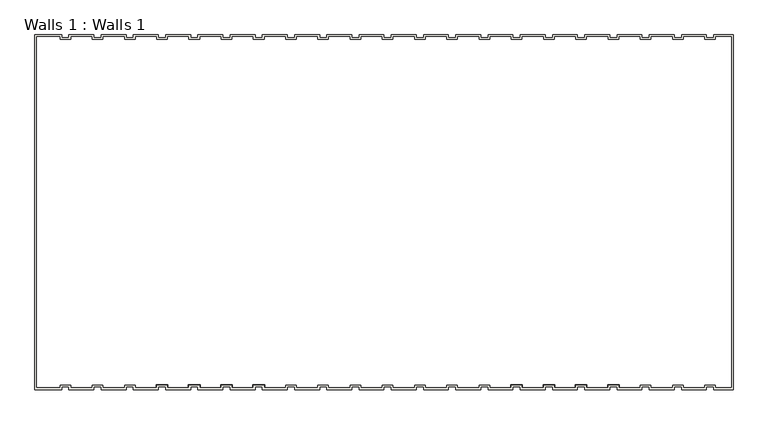
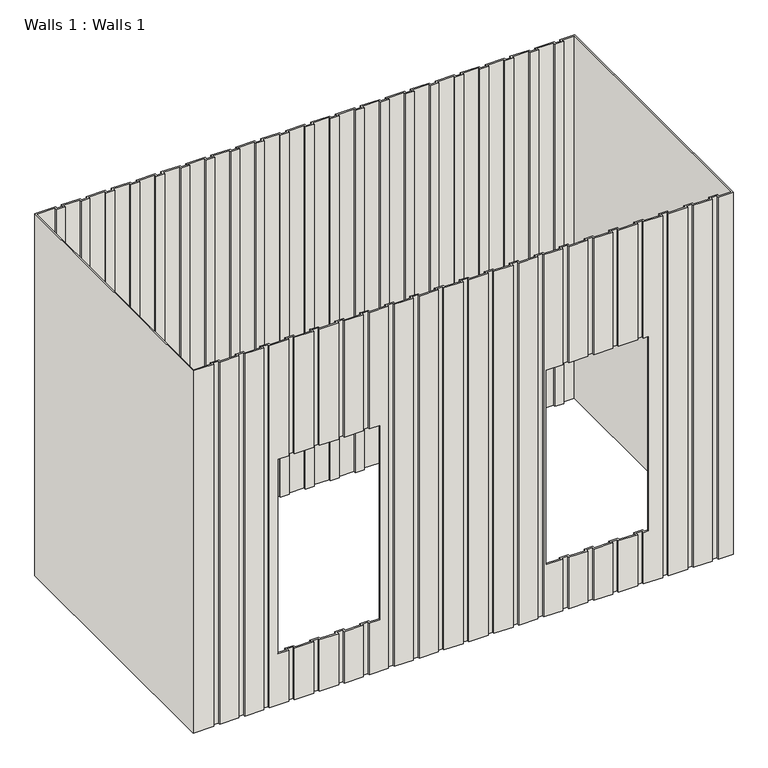
"""IFC4 building model written with IfcOpenShell, lengths in millimetres: wall geometry, Walls 1 : Walls 1."""

from ifc_helpers import new_model, si_unit, origin, place, context, project, spatial, faceted_brep, source, transform, mapped, element, save


def walls_1_walls_1_d70cb74a(model_context):
    return source(origin(), model_context, "Body", "Brep", [
        faceted_brep([(-3315.8963015, 2043.5264778, 3530.6), (-3499.4690288, 2043.5264778, 3530.6), (-3499.4690288, -394.8735222, 3530.6), (-3315.8963015, -394.8735222, 3530.6), (-3315.8963015, -375.8235222, 3530.6), (-3265.0963015, -375.8235222, 3530.6), (-3265.0963015, -394.8735222, 3530.6), (-3094.2235742, -394.8735222, 3530.6), (-3094.2235742, -375.8235222, 3530.6), (-3043.4235742, -375.8235222, 3530.6), (-3043.4235742, -394.8735222, 3530.6), (-2872.550847, -394.8735222, 3530.6), (-2872.550847, -375.8235222, 3530.6), (-2821.750847, -375.8235222, 3530.6), (-2821.750847, -394.8735222, 3530.6), (-2650.8781197, -394.8735222, 3530.6), (-2650.8781197, -375.8235222, 3530.6), (-2600.0781197, -375.8235222, 3530.6), (-2600.0781197, -394.8735222, 3530.6), (-2429.2053924, -394.8735222, 3530.6), (-2429.2053924, -375.8235222, 3530.6), (-2378.4053924, -375.8235222, 3530.6), (-2378.4053924, -394.8735222, 3530.6), (-2207.5326651, -394.8735222, 3530.6), (-2207.5326651, -375.8235222, 3530.6), (-2156.7326651, -375.8235222, 3530.6), (-2156.7326651, -394.8735222, 3530.6), (-1985.8599379, -394.8735222, 3530.6), (-1985.8599379, -375.8235222, 3530.6), (-1935.0599379, -375.8235222, 3530.6), (-1935.0599379, -394.8735222, 3530.6), (-1764.1872106, -394.8735222, 3530.6), (-1764.1872106, -375.8235222, 3530.6), (-1713.3872106, -375.8235222, 3530.6), (-1713.3872106, -394.8735222, 3530.6), (-1542.5144833, -394.8735222, 3530.6), (-1542.5144833, -375.8235222, 3530.6), (-1491.7144833, -375.8235222, 3530.6), (-1491.7144833, -394.8735222, 3530.6), (-1320.841756, -394.8735222, 3530.6), (-1320.841756, -375.8235222, 3530.6), (-1270.041756, -375.8235222, 3530.6), (-1270.041756, -394.8735222, 3530.6), (-1099.1690288, -394.8735222, 3530.6), (-1099.1690288, -375.8235222, 3530.6), (-1048.3690288, -375.8235222, 3530.6), (-1048.3690288, -394.8735222, 3530.6), (-877.4963015, -394.8735222, 3530.6), (-877.4963015, -375.8235222, 3530.6), (-826.6963015, -375.8235222, 3530.6), (-826.6963015, -394.8735222, 3530.6), (-655.8235742, -394.8735222, 3530.6), (-655.8235742, -375.8235222, 3530.6), (-605.0235742, -375.8235222, 3530.6), (-605.0235742, -394.8735222, 3530.6), (-434.150847, -394.8735222, 3530.6), (-434.150847, -375.8235222, 3530.6), (-383.350847, -375.8235222, 3530.6), (-383.350847, -394.8735222, 3530.6), (-212.4781197, -394.8735222, 3530.6), (-212.4781197, -375.8235222, 3530.6), (-161.6781197, -375.8235222, 3530.6), (-161.6781197, -394.8735222, 3530.6), (9.1946076, -394.8735222, 3530.6), (9.1946076, -375.8235222, 3530.6), (59.9946076, -375.8235222, 3530.6), (59.9946076, -394.8735222, 3530.6), (230.8673349, -394.8735222, 3530.6), (230.8673349, -375.8235222, 3530.6), (281.6673349, -375.8235222, 3530.6), (281.6673349, -394.8735222, 3530.6), (452.5400621, -394.8735222, 3530.6), (452.5400621, -375.8235222, 3530.6), (503.3400621, -375.8235222, 3530.6), (503.3400621, -394.8735222, 3530.6), (674.2127894, -394.8735222, 3530.6), (674.2127894, -375.8235222, 3530.6), (725.0127894, -375.8235222, 3530.6), (725.0127894, -394.8735222, 3530.6), (895.8855167, -394.8735222, 3530.6), (895.8855167, -375.8235222, 3530.6), (946.6855167, -375.8235222, 3530.6), (946.6855167, -394.8735222, 3530.6), (1117.558244, -394.8735222, 3530.6), (1117.558244, -375.8235222, 3530.6), (1168.358244, -375.8235222, 3530.6), (1168.358244, -394.8735222, 3530.6), (1301.1309712, -394.8735222, 3530.6), (1301.1309712, 2043.5264778, 3530.6), (1168.358244, 2043.5264778, 3530.6), (1168.358244, 2024.4764778, 3530.6), (1117.558244, 2024.4764778, 3530.6), (1117.558244, 2043.5264778, 3530.6), (946.6855167, 2043.5264778, 3530.6), (946.6855167, 2024.4764778, 3530.6), (895.8855167, 2024.4764778, 3530.6), (895.8855167, 2043.5264778, 3530.6), (725.0127894, 2043.5264778, 3530.6), (725.0127894, 2024.4764778, 3530.6), (674.2127894, 2024.4764778, 3530.6), (674.2127894, 2043.5264778, 3530.6), (503.3400621, 2043.5264778, 3530.6), (503.3400621, 2024.4764778, 3530.6), (452.5400621, 2024.4764778, 3530.6), (452.5400621, 2043.5264778, 3530.6), (281.6673349, 2043.5264778, 3530.6), (281.6673349, 2024.4764778, 3530.6), (230.8673349, 2024.4764778, 3530.6), (230.8673349, 2043.5264778, 3530.6), (59.9946076, 2043.5264778, 3530.6), (59.9946076, 2024.4764778, 3530.6), (9.1946076, 2024.4764778, 3530.6), (9.1946076, 2043.5264778, 3530.6), (-161.6781197, 2043.5264778, 3530.6), (-161.6781197, 2024.4764778, 3530.6), (-212.4781197, 2024.4764778, 3530.6), (-212.4781197, 2043.5264778, 3530.6), (-383.350847, 2043.5264778, 3530.6), (-383.350847, 2024.4764778, 3530.6), (-434.150847, 2024.4764778, 3530.6), (-434.150847, 2043.5264778, 3530.6), (-605.0235742, 2043.5264778, 3530.6), (-605.0235742, 2024.4764778, 3530.6), (-655.8235742, 2024.4764778, 3530.6), (-655.8235742, 2043.5264778, 3530.6), (-826.6963015, 2043.5264778, 3530.6), (-826.6963015, 2024.4764778, 3530.6), (-877.4963015, 2024.4764778, 3530.6), (-877.4963015, 2043.5264778, 3530.6), (-1048.3690288, 2043.5264778, 3530.6), (-1048.3690288, 2024.4764778, 3530.6), (-1099.1690288, 2024.4764778, 3530.6), (-1099.1690288, 2043.5264778, 3530.6), (-1270.041756, 2043.5264778, 3530.6), (-1270.041756, 2024.4764778, 3530.6), (-1320.841756, 2024.4764778, 3530.6), (-1320.841756, 2043.5264778, 3530.6), (-1491.7144833, 2043.5264778, 3530.6), (-1491.7144833, 2024.4764778, 3530.6), (-1542.5144833, 2024.4764778, 3530.6), (-1542.5144833, 2043.5264778, 3530.6), (-1713.3872106, 2043.5264778, 3530.6), (-1713.3872106, 2024.4764778, 3530.6), (-1764.1872106, 2024.4764778, 3530.6), (-1764.1872106, 2043.5264778, 3530.6), (-1935.0599379, 2043.5264778, 3530.6), (-1935.0599379, 2024.4764778, 3530.6), (-1985.8599379, 2024.4764778, 3530.6), (-1985.8599379, 2043.5264778, 3530.6), (-2156.7326651, 2043.5264778, 3530.6), (-2156.7326651, 2024.4764778, 3530.6), (-2207.5326651, 2024.4764778, 3530.6), (-2207.5326651, 2043.5264778, 3530.6), (-2378.4053924, 2043.5264778, 3530.6), (-2378.4053924, 2024.4764778, 3530.6), (-2429.2053924, 2024.4764778, 3530.6), (-2429.2053924, 2043.5264778, 3530.6), (-2600.0781197, 2043.5264778, 3530.6), (-2600.0781197, 2024.4764778, 3530.6), (-2650.8781197, 2024.4764778, 3530.6), (-2650.8781197, 2043.5264778, 3530.6), (-2821.750847, 2043.5264778, 3530.6), (-2821.750847, 2024.4764778, 3530.6), (-2872.550847, 2024.4764778, 3530.6), (-2872.550847, 2043.5264778, 3530.6), (-3043.4235742, 2043.5264778, 3530.6), (-3043.4235742, 2024.4764778, 3530.6), (-3094.2235742, 2024.4764778, 3530.6), (-3094.2235742, 2043.5264778, 3530.6), (-3265.0963015, 2043.5264778, 3530.6), (-3265.0963015, 2024.4764778, 3530.6), (-3315.8963015, 2024.4764778, 3530.6), (-3485.1815288, 2029.2389778, 3530.6), (-3330.1838015, 2029.2389778, 3530.6), (-3330.1838015, 2010.1889778, 3530.6), (-3250.8088015, 2010.1889778, 3530.6), (-3250.8088015, 2029.2389778, 3530.6), (-3108.5110742, 2029.2389778, 3530.6), (-3108.5110742, 2010.1889778, 3530.6), (-3029.1360742, 2010.1889778, 3530.6), (-3029.1360742, 2029.2389778, 3530.6), (-2886.838347, 2029.2389778, 3530.6), (-2886.838347, 2010.1889778, 3530.6), (-2807.463347, 2010.1889778, 3530.6), (-2807.463347, 2029.2389778, 3530.6), (-2665.1656197, 2029.2389778, 3530.6), (-2665.1656197, 2010.1889778, 3530.6), (-2585.7906197, 2010.1889778, 3530.6), (-2585.7906197, 2029.2389778, 3530.6), (-2443.4928924, 2029.2389778, 3530.6), (-2443.4928924, 2010.1889778, 3530.6), (-2364.1178924, 2010.1889778, 3530.6), (-2364.1178924, 2029.2389778, 3530.6), (-2221.8201651, 2029.2389778, 3530.6), (-2221.8201651, 2010.1889778, 3530.6), (-2142.4451651, 2010.1889778, 3530.6), (-2142.4451651, 2029.2389778, 3530.6), (-2000.1474379, 2029.2389778, 3530.6), (-2000.1474379, 2010.1889778, 3530.6), (-1920.7724379, 2010.1889778, 3530.6), (-1920.7724379, 2029.2389778, 3530.6), (-1778.4747106, 2029.2389778, 3530.6), (-1778.4747106, 2010.1889778, 3530.6), (-1699.0997106, 2010.1889778, 3530.6), (-1699.0997106, 2029.2389778, 3530.6), (-1556.8019833, 2029.2389778, 3530.6), (-1556.8019833, 2010.1889778, 3530.6), (-1477.4269833, 2010.1889778, 3530.6), (-1477.4269833, 2029.2389778, 3530.6), (-1335.129256, 2029.2389778, 3530.6), (-1335.129256, 2010.1889778, 3530.6), (-1255.754256, 2010.1889778, 3530.6), (-1255.754256, 2029.2389778, 3530.6), (-1113.4565288, 2029.2389778, 3530.6), (-1113.4565288, 2010.1889778, 3530.6), (-1034.0815288, 2010.1889778, 3530.6), (-1034.0815288, 2029.2389778, 3530.6), (-891.7838015, 2029.2389778, 3530.6), (-891.7838015, 2010.1889778, 3530.6), (-812.4088015, 2010.1889778, 3530.6), (-812.4088015, 2029.2389778, 3530.6), (-670.1110742, 2029.2389778, 3530.6), (-670.1110742, 2010.1889778, 3530.6), (-590.7360742, 2010.1889778, 3530.6), (-590.7360742, 2029.2389778, 3530.6), (-448.438347, 2029.2389778, 3530.6), (-448.438347, 2010.1889778, 3530.6), (-369.063347, 2010.1889778, 3530.6), (-369.063347, 2029.2389778, 3530.6), (-226.7656197, 2029.2389778, 3530.6), (-226.7656197, 2010.1889778, 3530.6), (-147.3906197, 2010.1889778, 3530.6), (-147.3906197, 2029.2389778, 3530.6), (-5.0928924, 2029.2389778, 3530.6), (-5.0928924, 2010.1889778, 3530.6), (74.2821076, 2010.1889778, 3530.6), (74.2821076, 2029.2389778, 3530.6), (216.5798349, 2029.2389778, 3530.6), (216.5798349, 2010.1889778, 3530.6), (295.9548349, 2010.1889778, 3530.6), (295.9548349, 2029.2389778, 3530.6), (438.2525621, 2029.2389778, 3530.6), (438.2525621, 2010.1889778, 3530.6), (517.6275621, 2010.1889778, 3530.6), (517.6275621, 2029.2389778, 3530.6), (659.9252894, 2029.2389778, 3530.6), (659.9252894, 2010.1889778, 3530.6), (739.3002894, 2010.1889778, 3530.6), (739.3002894, 2029.2389778, 3530.6), (881.5980167, 2029.2389778, 3530.6), (881.5980167, 2010.1889778, 3530.6), (960.9730167, 2010.1889778, 3530.6), (960.9730167, 2029.2389778, 3530.6), (1103.270744, 2029.2389778, 3530.6), (1103.270744, 2010.1889778, 3530.6), (1182.645744, 2010.1889778, 3530.6), (1182.645744, 2029.2389778, 3530.6), (1286.8434712, 2029.2389778, 3530.6), (1286.8434712, -380.5860222, 3530.6), (1182.645744, -380.5860222, 3530.6), (1182.645744, -361.5360222, 3530.6), (1103.270744, -361.5360222, 3530.6), (1103.270744, -380.5860222, 3530.6), (960.9730167, -380.5860222, 3530.6), (960.9730167, -361.5360222, 3530.6), (881.5980167, -361.5360222, 3530.6), (881.5980167, -380.5860222, 3530.6), (739.3002894, -380.5860222, 3530.6), (739.3002894, -361.5360222, 3530.6), (659.9252894, -361.5360222, 3530.6), (659.9252894, -380.5860222, 3530.6), (517.6275621, -380.5860222, 3530.6), (517.6275621, -361.5360222, 3530.6), (438.2525621, -361.5360222, 3530.6), (438.2525621, -380.5860222, 3530.6), (295.9548349, -380.5860222, 3530.6), (295.9548349, -361.5360222, 3530.6), (216.5798349, -361.5360222, 3530.6), (216.5798349, -380.5860222, 3530.6), (74.2821076, -380.5860222, 3530.6), (74.2821076, -361.5360222, 3530.6), (-5.0928924, -361.5360222, 3530.6), (-5.0928924, -380.5860222, 3530.6), (-147.3906197, -380.5860222, 3530.6), (-147.3906197, -361.5360222, 3530.6), (-226.7656197, -361.5360222, 3530.6), (-226.7656197, -380.5860222, 3530.6), (-369.063347, -380.5860222, 3530.6), (-369.063347, -361.5360222, 3530.6), (-448.438347, -361.5360222, 3530.6), (-448.438347, -380.5860222, 3530.6), (-590.7360742, -380.5860222, 3530.6), (-590.7360742, -361.5360222, 3530.6), (-670.1110742, -361.5360222, 3530.6), (-670.1110742, -380.5860222, 3530.6), (-812.4088015, -380.5860222, 3530.6), (-812.4088015, -361.5360222, 3530.6), (-891.7838015, -361.5360222, 3530.6), (-891.7838015, -380.5860222, 3530.6), (-1034.0815288, -380.5860222, 3530.6), (-1034.0815288, -361.5360222, 3530.6), (-1113.4565288, -361.5360222, 3530.6), (-1113.4565288, -380.5860222, 3530.6), (-1255.754256, -380.5860222, 3530.6), (-1255.754256, -361.5360222, 3530.6), (-1335.129256, -361.5360222, 3530.6), (-1335.129256, -380.5860222, 3530.6), (-1477.4269833, -380.5860222, 3530.6), (-1477.4269833, -361.5360222, 3530.6), (-1556.8019833, -361.5360222, 3530.6), (-1556.8019833, -380.5860222, 3530.6), (-1699.0997106, -380.5860222, 3530.6), (-1699.0997106, -361.5360222, 3530.6), (-1778.4747106, -361.5360222, 3530.6), (-1778.4747106, -380.5860222, 3530.6), (-1920.7724379, -380.5860222, 3530.6), (-1920.7724379, -361.5360222, 3530.6), (-2000.1474379, -361.5360222, 3530.6), (-2000.1474379, -380.5860222, 3530.6), (-2142.4451651, -380.5860222, 3530.6), (-2142.4451651, -361.5360222, 3530.6), (-2221.8201651, -361.5360222, 3530.6), (-2221.8201651, -380.5860222, 3530.6), (-2364.1178924, -380.5860222, 3530.6), (-2364.1178924, -361.5360222, 3530.6), (-2443.4928924, -361.5360222, 3530.6), (-2443.4928924, -380.5860222, 3530.6), (-2585.7906197, -380.5860222, 3530.6), (-2585.7906197, -361.5360222, 3530.6), (-2665.1656197, -361.5360222, 3530.6), (-2665.1656197, -380.5860222, 3530.6), (-2807.463347, -380.5860222, 3530.6), (-2807.463347, -361.5360222, 3530.6), (-2886.838347, -361.5360222, 3530.6), (-2886.838347, -380.5860222, 3530.6), (-3029.1360742, -380.5860222, 3530.6), (-3029.1360742, -361.5360222, 3530.6), (-3108.5110742, -361.5360222, 3530.6), (-3108.5110742, -380.5860222, 3530.6), (-3250.8088015, -380.5860222, 3530.6), (-3250.8088015, -361.5360222, 3530.6), (-3330.1838015, -361.5360222, 3530.6), (-3330.1838015, -380.5860222, 3530.6), (-3485.1815288, -380.5860222, 3530.6), (-3315.8963015, 2043.5264778, 127.0), (-3315.8963015, 2024.4764778, 127.0), (-3265.0963015, 2024.4764778, 127.0), (-3265.0963015, 2043.5264778, 127.0), (-3094.2235742, 2043.5264778, 127.0), (-3094.2235742, 2024.4764778, 127.0), (-3043.4235742, 2024.4764778, 127.0), (-3043.4235742, 2043.5264778, 127.0), (-2872.550847, 2043.5264778, 127.0), (-2872.550847, 2024.4764778, 127.0), (-2821.750847, 2024.4764778, 127.0), (-2821.750847, 2043.5264778, 127.0), (-2650.8781197, 2043.5264778, 127.0), (-2650.8781197, 2024.4764778, 127.0), (-2600.0781197, 2024.4764778, 127.0), (-2600.0781197, 2043.5264778, 127.0), (-2429.2053924, 2043.5264778, 127.0), (-2429.2053924, 2024.4764778, 127.0), (-2378.4053924, 2024.4764778, 127.0), (-2378.4053924, 2043.5264778, 127.0), (-2207.5326651, 2043.5264778, 127.0), (-2207.5326651, 2024.4764778, 127.0), (-2156.7326651, 2024.4764778, 127.0), (-2156.7326651, 2043.5264778, 127.0), (-1985.8599379, 2043.5264778, 127.0), (-1985.8599379, 2024.4764778, 127.0), (-1935.0599379, 2024.4764778, 127.0), (-1935.0599379, 2043.5264778, 127.0), (-1764.1872106, 2043.5264778, 127.0), (-1764.1872106, 2024.4764778, 127.0), (-1713.3872106, 2024.4764778, 127.0), (-1713.3872106, 2043.5264778, 127.0), (-1542.5144833, 2043.5264778, 127.0), (-1542.5144833, 2024.4764778, 127.0), (-1491.7144833, 2024.4764778, 127.0), (-1491.7144833, 2043.5264778, 127.0), (-1320.841756, 2043.5264778, 127.0), (-1320.841756, 2024.4764778, 127.0), (-1270.041756, 2024.4764778, 127.0), (-1270.041756, 2043.5264778, 127.0), (-1099.1690288, 2043.5264778, 127.0), (-1099.1690288, 2024.4764778, 127.0), (-1048.3690288, 2024.4764778, 127.0), (-1048.3690288, 2043.5264778, 127.0), (-877.4963015, 2043.5264778, 127.0), (-877.4963015, 2024.4764778, 127.0), (-826.6963015, 2024.4764778, 127.0), (-826.6963015, 2043.5264778, 127.0), (-655.8235742, 2043.5264778, 127.0), (-655.8235742, 2024.4764778, 127.0), (-605.0235742, 2024.4764778, 127.0), (-605.0235742, 2043.5264778, 127.0), (-434.150847, 2043.5264778, 127.0), (-434.150847, 2024.4764778, 127.0), (-383.350847, 2024.4764778, 127.0), (-383.350847, 2043.5264778, 127.0), (-212.4781197, 2043.5264778, 127.0), (-212.4781197, 2024.4764778, 127.0), (-161.6781197, 2024.4764778, 127.0), (-161.6781197, 2043.5264778, 127.0), (9.1946076, 2043.5264778, 127.0), (9.1946076, 2024.4764778, 127.0), (59.9946076, 2024.4764778, 127.0), (59.9946076, 2043.5264778, 127.0), (230.8673349, 2043.5264778, 127.0), (230.8673349, 2024.4764778, 127.0), (281.6673349, 2024.4764778, 127.0), (281.6673349, 2043.5264778, 127.0), (452.5400621, 2043.5264778, 127.0), (452.5400621, 2024.4764778, 127.0), (503.3400621, 2024.4764778, 127.0), (503.3400621, 2043.5264778, 127.0), (674.2127894, 2043.5264778, 127.0), (674.2127894, 2024.4764778, 127.0), (725.0127894, 2024.4764778, 127.0), (725.0127894, 2043.5264778, 127.0), (895.8855167, 2043.5264778, 127.0), (895.8855167, 2024.4764778, 127.0), (946.6855167, 2024.4764778, 127.0), (946.6855167, 2043.5264778, 127.0), (1117.558244, 2043.5264778, 127.0), (1117.558244, 2024.4764778, 127.0), (1168.358244, 2024.4764778, 127.0), (1168.358244, 2043.5264778, 127.0), (1301.1309712, 2043.5264778, 127.0), (1301.1309712, -394.8735222, 127.0), (1168.358244, -394.8735222, 127.0), (1168.358244, -375.8235222, 127.0), (1117.558244, -375.8235222, 127.0), (1117.558244, -394.8735222, 127.0), (946.6855167, -394.8735222, 127.0), (946.6855167, -375.8235222, 127.0), (895.8855167, -375.8235222, 127.0), (895.8855167, -394.8735222, 127.0), (725.0127894, -394.8735222, 127.0), (725.0127894, -375.8235222, 127.0), (674.2127894, -375.8235222, 127.0), (674.2127894, -394.8735222, 127.0), (503.3400621, -394.8735222, 127.0), (503.3400621, -375.8235222, 127.0), (452.5400621, -375.8235222, 127.0), (452.5400621, -394.8735222, 127.0), (281.6673349, -394.8735222, 127.0), (281.6673349, -375.8235222, 127.0), (230.8673349, -375.8235222, 127.0), (230.8673349, -394.8735222, 127.0), (59.9946076, -394.8735222, 127.0), (59.9946076, -375.8235222, 127.0), (9.1946076, -375.8235222, 127.0), (9.1946076, -394.8735222, 127.0), (-161.6781197, -394.8735222, 127.0), (-161.6781197, -375.8235222, 127.0), (-212.4781197, -375.8235222, 127.0), (-212.4781197, -394.8735222, 127.0), (-383.350847, -394.8735222, 127.0), (-383.350847, -375.8235222, 127.0), (-434.150847, -375.8235222, 127.0), (-434.150847, -394.8735222, 127.0), (-605.0235742, -394.8735222, 127.0), (-605.0235742, -375.8235222, 127.0), (-655.8235742, -375.8235222, 127.0), (-655.8235742, -394.8735222, 127.0), (-826.6963015, -394.8735222, 127.0), (-826.6963015, -375.8235222, 127.0), (-877.4963015, -375.8235222, 127.0), (-877.4963015, -394.8735222, 127.0), (-1048.3690288, -394.8735222, 127.0), (-1048.3690288, -375.8235222, 127.0), (-1099.1690288, -375.8235222, 127.0), (-1099.1690288, -394.8735222, 127.0), (-1270.041756, -394.8735222, 127.0), (-1270.041756, -375.8235222, 127.0), (-1320.841756, -375.8235222, 127.0), (-1320.841756, -394.8735222, 127.0), (-1491.7144833, -394.8735222, 127.0), (-1491.7144833, -375.8235222, 127.0), (-1542.5144833, -375.8235222, 127.0), (-1542.5144833, -394.8735222, 127.0), (-1713.3872106, -394.8735222, 127.0), (-1713.3872106, -375.8235222, 127.0), (-1764.1872106, -375.8235222, 127.0), (-1764.1872106, -394.8735222, 127.0), (-1935.0599379, -394.8735222, 127.0), (-1935.0599379, -375.8235222, 127.0), (-1985.8599379, -375.8235222, 127.0), (-1985.8599379, -394.8735222, 127.0), (-2156.7326651, -394.8735222, 127.0), (-2156.7326651, -375.8235222, 127.0), (-2207.5326651, -375.8235222, 127.0), (-2207.5326651, -394.8735222, 127.0), (-2378.4053924, -394.8735222, 127.0), (-2378.4053924, -375.8235222, 127.0), (-2429.2053924, -375.8235222, 127.0), (-2429.2053924, -394.8735222, 127.0), (-2600.0781197, -394.8735222, 127.0), (-2600.0781197, -375.8235222, 127.0), (-2650.8781197, -375.8235222, 127.0), (-2650.8781197, -394.8735222, 127.0), (-2821.750847, -394.8735222, 127.0), (-2821.750847, -375.8235222, 127.0), (-2872.550847, -375.8235222, 127.0), (-2872.550847, -394.8735222, 127.0), (-3043.4235742, -394.8735222, 127.0), (-3043.4235742, -375.8235222, 127.0), (-3094.2235742, -375.8235222, 127.0), (-3094.2235742, -394.8735222, 127.0), (-3265.0963015, -394.8735222, 127.0), (-3265.0963015, -375.8235222, 127.0), (-3315.8963015, -375.8235222, 127.0), (-3315.8963015, -394.8735222, 127.0), (-3499.4690288, -394.8735222, 127.0), (-3499.4690288, 2043.5264778, 127.0), (-3485.1815288, 2029.2389778, 127.0), (-3485.1815288, -380.5860222, 127.0), (-3330.1838015, -380.5860222, 127.0), (-3330.1838015, -361.5360222, 127.0), (-3250.8088015, -361.5360222, 127.0), (-3250.8088015, -380.5860222, 127.0), (-3108.5110742, -380.5860222, 127.0), (-3108.5110742, -361.5360222, 127.0), (-3029.1360742, -361.5360222, 127.0), (-3029.1360742, -380.5860222, 127.0), (-2886.838347, -380.5860222, 127.0), (-2886.838347, -361.5360222, 127.0), (-2807.463347, -361.5360222, 127.0), (-2807.463347, -380.5860222, 127.0), (-2665.1656197, -380.5860222, 127.0), (-2665.1656197, -361.5360222, 127.0), (-2585.7906197, -361.5360222, 127.0), (-2585.7906197, -380.5860222, 127.0), (-2443.4928924, -380.5860222, 127.0), (-2443.4928924, -361.5360222, 127.0), (-2364.1178924, -361.5360222, 127.0), (-2364.1178924, -380.5860222, 127.0), (-2221.8201651, -380.5860222, 127.0), (-2221.8201651, -361.5360222, 127.0), (-2142.4451651, -361.5360222, 127.0), (-2142.4451651, -380.5860222, 127.0), (-2000.1474379, -380.5860222, 127.0), (-2000.1474379, -361.5360222, 127.0), (-1920.7724379, -361.5360222, 127.0), (-1920.7724379, -380.5860222, 127.0), (-1778.4747106, -380.5860222, 127.0), (-1778.4747106, -361.5360222, 127.0), (-1699.0997106, -361.5360222, 127.0), (-1699.0997106, -380.5860222, 127.0), (-1556.8019833, -380.5860222, 127.0), (-1556.8019833, -361.5360222, 127.0), (-1477.4269833, -361.5360222, 127.0), (-1477.4269833, -380.5860222, 127.0), (-1335.129256, -380.5860222, 127.0), (-1335.129256, -361.5360222, 127.0), (-1255.754256, -361.5360222, 127.0), (-1255.754256, -380.5860222, 127.0), (-1113.4565288, -380.5860222, 127.0), (-1113.4565288, -361.5360222, 127.0), (-1034.0815288, -361.5360222, 127.0), (-1034.0815288, -380.5860222, 127.0), (-891.7838015, -380.5860222, 127.0), (-891.7838015, -361.5360222, 127.0), (-812.4088015, -361.5360222, 127.0), (-812.4088015, -380.5860222, 127.0), (-670.1110742, -380.5860222, 127.0), (-670.1110742, -361.5360222, 127.0), (-590.7360742, -361.5360222, 127.0), (-590.7360742, -380.5860222, 127.0), (-448.438347, -380.5860222, 127.0), (-448.438347, -361.5360222, 127.0), (-369.063347, -361.5360222, 127.0), (-369.063347, -380.5860222, 127.0), (-226.7656197, -380.5860222, 127.0), (-226.7656197, -361.5360222, 127.0), (-147.3906197, -361.5360222, 127.0), (-147.3906197, -380.5860222, 127.0), (-5.0928924, -380.5860222, 127.0), (-5.0928924, -361.5360222, 127.0), (74.2821076, -361.5360222, 127.0), (74.2821076, -380.5860222, 127.0), (216.5798349, -380.5860222, 127.0), (216.5798349, -361.5360222, 127.0), (295.9548349, -361.5360222, 127.0), (295.9548349, -380.5860222, 127.0), (438.2525621, -380.5860222, 127.0), (438.2525621, -361.5360222, 127.0), (517.6275621, -361.5360222, 127.0), (517.6275621, -380.5860222, 127.0), (659.9252894, -380.5860222, 127.0), (659.9252894, -361.5360222, 127.0), (739.3002894, -361.5360222, 127.0), (739.3002894, -380.5860222, 127.0), (881.5980167, -380.5860222, 127.0), (881.5980167, -361.5360222, 127.0), (960.9730167, -361.5360222, 127.0), (960.9730167, -380.5860222, 127.0), (1103.270744, -380.5860222, 127.0), (1103.270744, -361.5360222, 127.0), (1182.645744, -361.5360222, 127.0), (1182.645744, -380.5860222, 127.0), (1286.8434712, -380.5860222, 127.0), (1286.8434712, 2029.2389778, 127.0), (1182.645744, 2029.2389778, 127.0), (1182.645744, 2010.1889778, 127.0), (1103.270744, 2010.1889778, 127.0), (1103.270744, 2029.2389778, 127.0), (960.9730167, 2029.2389778, 127.0), (960.9730167, 2010.1889778, 127.0), (881.5980167, 2010.1889778, 127.0), (881.5980167, 2029.2389778, 127.0), (739.3002894, 2029.2389778, 127.0), (739.3002894, 2010.1889778, 127.0), (659.9252894, 2010.1889778, 127.0), (659.9252894, 2029.2389778, 127.0), (517.6275621, 2029.2389778, 127.0), (517.6275621, 2010.1889778, 127.0), (438.2525621, 2010.1889778, 127.0), (438.2525621, 2029.2389778, 127.0), (295.9548349, 2029.2389778, 127.0), (295.9548349, 2010.1889778, 127.0), (216.5798349, 2010.1889778, 127.0), (216.5798349, 2029.2389778, 127.0), (74.2821076, 2029.2389778, 127.0), (74.2821076, 2010.1889778, 127.0), (-5.0928924, 2010.1889778, 127.0), (-5.0928924, 2029.2389778, 127.0), (-147.3906197, 2029.2389778, 127.0), (-147.3906197, 2010.1889778, 127.0), (-226.7656197, 2010.1889778, 127.0), (-226.7656197, 2029.2389778, 127.0), (-369.063347, 2029.2389778, 127.0), (-369.063347, 2010.1889778, 127.0), (-448.438347, 2010.1889778, 127.0), (-448.438347, 2029.2389778, 127.0), (-590.7360742, 2029.2389778, 127.0), (-590.7360742, 2010.1889778, 127.0), (-670.1110742, 2010.1889778, 127.0), (-670.1110742, 2029.2389778, 127.0), (-812.4088015, 2029.2389778, 127.0), (-812.4088015, 2010.1889778, 127.0), (-891.7838015, 2010.1889778, 127.0), (-891.7838015, 2029.2389778, 127.0), (-1034.0815288, 2029.2389778, 127.0), (-1034.0815288, 2010.1889778, 127.0), (-1113.4565288, 2010.1889778, 127.0), (-1113.4565288, 2029.2389778, 127.0), (-1255.754256, 2029.2389778, 127.0), (-1255.754256, 2010.1889778, 127.0), (-1335.129256, 2010.1889778, 127.0), (-1335.129256, 2029.2389778, 127.0), (-1477.4269833, 2029.2389778, 127.0), (-1477.4269833, 2010.1889778, 127.0), (-1556.8019833, 2010.1889778, 127.0), (-1556.8019833, 2029.2389778, 127.0), (-1699.0997106, 2029.2389778, 127.0), (-1699.0997106, 2010.1889778, 127.0), (-1778.4747106, 2010.1889778, 127.0), (-1778.4747106, 2029.2389778, 127.0), (-1920.7724379, 2029.2389778, 127.0), (-1920.7724379, 2010.1889778, 127.0), (-2000.1474379, 2010.1889778, 127.0), (-2000.1474379, 2029.2389778, 127.0), (-2142.4451651, 2029.2389778, 127.0), (-2142.4451651, 2010.1889778, 127.0), (-2221.8201651, 2010.1889778, 127.0), (-2221.8201651, 2029.2389778, 127.0), (-2364.1178924, 2029.2389778, 127.0), (-2364.1178924, 2010.1889778, 127.0), (-2443.4928924, 2010.1889778, 127.0), (-2443.4928924, 2029.2389778, 127.0), (-2585.7906197, 2029.2389778, 127.0), (-2585.7906197, 2010.1889778, 127.0), (-2665.1656197, 2010.1889778, 127.0), (-2665.1656197, 2029.2389778, 127.0), (-2807.463347, 2029.2389778, 127.0), (-2807.463347, 2010.1889778, 127.0), (-2886.838347, 2010.1889778, 127.0), (-2886.838347, 2029.2389778, 127.0), (-3029.1360742, 2029.2389778, 127.0), (-3029.1360742, 2010.1889778, 127.0), (-3108.5110742, 2010.1889778, 127.0), (-3108.5110742, 2029.2389778, 127.0), (-3250.8088015, 2029.2389778, 127.0), (-3250.8088015, 2010.1889778, 127.0), (-3330.1838015, 2010.1889778, 127.0), (-3330.1838015, 2029.2389778, 127.0), (-2650.8781197, -394.8735222, 609.6), (-2749.3752788, -394.8735222, 609.6), (-2749.3752788, -394.8735222, 2438.4), (-2650.8781197, -394.8735222, 2438.4), (-2650.8781197, -375.8235222, 2438.4), (-2650.8781197, -375.8235222, 609.6), (-2600.0781197, -375.8235222, 2438.4), (-2600.0781197, -375.8235222, 609.6), (-2600.0781197, -394.8735222, 2438.4), (-2600.0781197, -394.8735222, 609.6), (-2429.2053924, -394.8735222, 2438.4), (-2429.2053924, -394.8735222, 609.6), (-2429.2053924, -375.8235222, 2438.4), (-2429.2053924, -375.8235222, 609.6), (-2378.4053924, -375.8235222, 2438.4), (-2378.4053924, -375.8235222, 609.6), (-2378.4053924, -394.8735222, 2438.4), (-2378.4053924, -394.8735222, 609.6), (-2207.5326651, -394.8735222, 2438.4), (-2207.5326651, -394.8735222, 609.6), (-2207.5326651, -375.8235222, 2438.4), (-2207.5326651, -375.8235222, 609.6), (-2156.7326651, -375.8235222, 2438.4), (-2156.7326651, -375.8235222, 609.6), (-2156.7326651, -394.8735222, 2438.4), (-2156.7326651, -394.8735222, 609.6), (-1985.8599379, -394.8735222, 2438.4), (-1985.8599379, -394.8735222, 609.6), (-1985.8599379, -375.8235222, 2438.4), (-1985.8599379, -375.8235222, 609.6), (-1935.0599379, -375.8235222, 2438.4), (-1935.0599379, -375.8235222, 609.6), (-1935.0599379, -394.8735222, 2438.4), (-1935.0599379, -394.8735222, 609.6), (-1834.9752788, -394.8735222, 2438.4), (-1834.9752788, -394.8735222, 609.6), (-212.4781197, -394.8735222, 609.6), (-363.3627788, -394.8735222, 609.6), (-363.3627788, -394.8735222, 2438.4), (-212.4781197, -394.8735222, 2438.4), (-212.4781197, -375.8235222, 2438.4), (-212.4781197, -375.8235222, 609.6), (-161.6781197, -375.8235222, 2438.4), (-161.6781197, -375.8235222, 609.6), (-161.6781197, -394.8735222, 2438.4), (-161.6781197, -394.8735222, 609.6), (9.1946076, -394.8735222, 2438.4), (9.1946076, -394.8735222, 609.6), (9.1946076, -375.8235222, 2438.4), (9.1946076, -375.8235222, 609.6), (59.9946076, -375.8235222, 2438.4), (59.9946076, -375.8235222, 609.6), (59.9946076, -394.8735222, 2438.4), (59.9946076, -394.8735222, 609.6), (230.8673349, -394.8735222, 2438.4), (230.8673349, -394.8735222, 609.6), (230.8673349, -375.8235222, 2438.4), (230.8673349, -375.8235222, 609.6), (281.6673349, -375.8235222, 2438.4), (281.6673349, -375.8235222, 609.6), (281.6673349, -394.8735222, 2438.4), (281.6673349, -394.8735222, 609.6), (452.5400621, -394.8735222, 2438.4), (452.5400621, -394.8735222, 609.6), (452.5400621, -375.8235222, 2438.4), (452.5400621, -375.8235222, 609.6), (503.3400621, -375.8235222, 2438.4), (503.3400621, -375.8235222, 609.6), (503.3400621, -394.8735222, 2438.4), (503.3400621, -394.8735222, 609.6), (551.0372212, -394.8735222, 2438.4), (551.0372212, -394.8735222, 609.6), (517.6275621, -380.5860222, 609.6), (551.0372212, -380.5860222, 609.6), (551.0372212, -380.5860222, 2438.4), (517.6275621, -380.5860222, 2438.4), (517.6275621, -361.5360222, 2438.4), (517.6275621, -361.5360222, 609.6), (438.2525621, -361.5360222, 2438.4), (438.2525621, -361.5360222, 609.6), (438.2525621, -380.5860222, 2438.4), (438.2525621, -380.5860222, 609.6), (295.9548349, -380.5860222, 2438.4), (295.9548349, -380.5860222, 609.6), (295.9548349, -361.5360222, 2438.4), (295.9548349, -361.5360222, 609.6), (216.5798349, -361.5360222, 2438.4), (216.5798349, -361.5360222, 609.6), (216.5798349, -380.5860222, 2438.4), (216.5798349, -380.5860222, 609.6), (74.2821076, -380.5860222, 2438.4), (74.2821076, -380.5860222, 609.6), (74.2821076, -361.5360222, 2438.4), (74.2821076, -361.5360222, 609.6), (-5.0928924, -361.5360222, 2438.4), (-5.0928924, -361.5360222, 609.6), (-5.0928924, -380.5860222, 2438.4), (-5.0928924, -380.5860222, 609.6), (-147.3906197, -380.5860222, 2438.4), (-147.3906197, -380.5860222, 609.6), (-147.3906197, -361.5360222, 2438.4), (-147.3906197, -361.5360222, 609.6), (-226.7656197, -361.5360222, 2438.4), (-226.7656197, -361.5360222, 609.6), (-226.7656197, -380.5860222, 2438.4), (-226.7656197, -380.5860222, 609.6), (-363.3627788, -380.5860222, 2438.4), (-363.3627788, -380.5860222, 609.6), (-1920.7724379, -380.5860222, 609.6), (-1834.9752788, -380.5860222, 609.6), (-1834.9752788, -380.5860222, 2438.4), (-1920.7724379, -380.5860222, 2438.4), (-1920.7724379, -361.5360222, 2438.4), (-1920.7724379, -361.5360222, 609.6), (-2000.1474379, -361.5360222, 2438.4), (-2000.1474379, -361.5360222, 609.6), (-2000.1474379, -380.5860222, 2438.4), (-2000.1474379, -380.5860222, 609.6), (-2142.4451651, -380.5860222, 2438.4), (-2142.4451651, -380.5860222, 609.6), (-2142.4451651, -361.5360222, 2438.4), (-2142.4451651, -361.5360222, 609.6), (-2221.8201651, -361.5360222, 2438.4), (-2221.8201651, -361.5360222, 609.6), (-2221.8201651, -380.5860222, 2438.4), (-2221.8201651, -380.5860222, 609.6), (-2364.1178924, -380.5860222, 2438.4), (-2364.1178924, -380.5860222, 609.6), (-2364.1178924, -361.5360222, 2438.4), (-2364.1178924, -361.5360222, 609.6), (-2443.4928924, -361.5360222, 2438.4), (-2443.4928924, -361.5360222, 609.6), (-2443.4928924, -380.5860222, 2438.4), (-2443.4928924, -380.5860222, 609.6), (-2585.7906197, -380.5860222, 2438.4), (-2585.7906197, -380.5860222, 609.6), (-2585.7906197, -361.5360222, 2438.4), (-2585.7906197, -361.5360222, 609.6), (-2665.1656197, -361.5360222, 2438.4), (-2665.1656197, -361.5360222, 609.6), (-2665.1656197, -380.5860222, 2438.4), (-2665.1656197, -380.5860222, 609.6), (-2749.3752788, -380.5860222, 2438.4), (-2749.3752788, -380.5860222, 609.6)], [[[0, 1, 2, 3, 4, 5, 6, 7, 8, 9, 10, 11, 12, 13, 14, 15, 16, 17, 18, 19, 20, 21, 22, 23, 24, 25, 26, 27, 28, 29, 30, 31, 32, 33, 34, 35, 36, 37, 38, 39, 40, 41, 42, 43, 44, 45, 46, 47, 48, 49, 50, 51, 52, 53, 54, 55, 56, 57, 58, 59, 60, 61, 62, 63, 64, 65, 66, 67, 68, 69, 70, 71, 72, 73, 74, 75, 76, 77, 78, 79, 80, 81, 82, 83, 84, 85, 86, 87, 88, 89, 90, 91, 92, 93, 94, 95, 96, 97, 98, 99, 100, 101, 102, 103, 104, 105, 106, 107, 108, 109, 110, 111, 112, 113, 114, 115, 116, 117, 118, 119, 120, 121, 122, 123, 124, 125, 126, 127, 128, 129, 130, 131, 132, 133, 134, 135, 136, 137, 138, 139, 140, 141, 142, 143, 144, 145, 146, 147, 148, 149, 150, 151, 152, 153, 154, 155, 156, 157, 158, 159, 160, 161, 162, 163, 164, 165, 166, 167, 168, 169, 170, 171], [172, 173, 174, 175, 176, 177, 178, 179, 180, 181, 182, 183, 184, 185, 186, 187, 188, 189, 190, 191, 192, 193, 194, 195, 196, 197, 198, 199, 200, 201, 202, 203, 204, 205, 206, 207, 208, 209, 210, 211, 212, 213, 214, 215, 216, 217, 218, 219, 220, 221, 222, 223, 224, 225, 226, 227, 228, 229, 230, 231, 232, 233, 234, 235, 236, 237, 238, 239, 240, 241, 242, 243, 244, 245, 246, 247, 248, 249, 250, 251, 252, 253, 254, 255, 256, 257, 258, 259, 260, 261, 262, 263, 264, 265, 266, 267, 268, 269, 270, 271, 272, 273, 274, 275, 276, 277, 278, 279, 280, 281, 282, 283, 284, 285, 286, 287, 288, 289, 290, 291, 292, 293, 294, 295, 296, 297, 298, 299, 300, 301, 302, 303, 304, 305, 306, 307, 308, 309, 310, 311, 312, 313, 314, 315, 316, 317, 318, 319, 320, 321, 322, 323, 324, 325, 326, 327, 328, 329, 330, 331, 332, 333, 334, 335, 336, 337, 338, 339, 340, 341, 342, 343]], [[344, 345, 346, 347, 348, 349, 350, 351, 352, 353, 354, 355, 356, 357, 358, 359, 360, 361, 362, 363, 364, 365, 366, 367, 368, 369, 370, 371, 372, 373, 374, 375, 376, 377, 378, 379, 380, 381, 382, 383, 384, 385, 386, 387, 388, 389, 390, 391, 392, 393, 394, 395, 396, 397, 398, 399, 400, 401, 402, 403, 404, 405, 406, 407, 408, 409, 410, 411, 412, 413, 414, 415, 416, 417, 418, 419, 420, 421, 422, 423, 424, 425, 426, 427, 428, 429, 430, 431, 432, 433, 434, 435, 436, 437, 438, 439, 440, 441, 442, 443, 444, 445, 446, 447, 448, 449, 450, 451, 452, 453, 454, 455, 456, 457, 458, 459, 460, 461, 462, 463, 464, 465, 466, 467, 468, 469, 470, 471, 472, 473, 474, 475, 476, 477, 478, 479, 480, 481, 482, 483, 484, 485, 486, 487, 488, 489, 490, 491, 492, 493, 494, 495, 496, 497, 498, 499, 500, 501, 502, 503, 504, 505, 506, 507, 508, 509, 510, 511, 512, 513, 514, 515], [516, 517, 518, 519, 520, 521, 522, 523, 524, 525, 526, 527, 528, 529, 530, 531, 532, 533, 534, 535, 536, 537, 538, 539, 540, 541, 542, 543, 544, 545, 546, 547, 548, 549, 550, 551, 552, 553, 554, 555, 556, 557, 558, 559, 560, 561, 562, 563, 564, 565, 566, 567, 568, 569, 570, 571, 572, 573, 574, 575, 576, 577, 578, 579, 580, 581, 582, 583, 584, 585, 586, 587, 588, 589, 590, 591, 592, 593, 594, 595, 596, 597, 598, 599, 600, 601, 602, 603, 604, 605, 606, 607, 608, 609, 610, 611, 612, 613, 614, 615, 616, 617, 618, 619, 620, 621, 622, 623, 624, 625, 626, 627, 628, 629, 630, 631, 632, 633, 634, 635, 636, 637, 638, 639, 640, 641, 642, 643, 644, 645, 646, 647, 648, 649, 650, 651, 652, 653, 654, 655, 656, 657, 658, 659, 660, 661, 662, 663, 664, 665, 666, 667, 668, 669, 670, 671, 672, 673, 674, 675, 676, 677, 678, 679, 680, 681, 682, 683, 684, 685, 686, 687]], [[1, 0, 344, 515]], [[2, 1, 515, 514]], [[3, 2, 514, 513]], [[4, 3, 513, 512]], [[5, 4, 512, 511]], [[6, 5, 511, 510]], [[7, 6, 510, 509]], [[8, 7, 509, 508]], [[9, 8, 508, 507]], [[10, 9, 507, 506]], [[11, 10, 506, 505]], [[12, 11, 505, 504]], [[13, 12, 504, 503]], [[14, 13, 503, 502]], [[15, 14, 502, 501, 688, 689, 690, 691]], [[16, 15, 691, 692]], [[501, 500, 693, 688]], [[17, 16, 692, 694]], [[500, 499, 695, 693]], [[18, 17, 694, 696]], [[499, 498, 697, 695]], [[19, 18, 696, 698]], [[498, 497, 699, 697]], [[20, 19, 698, 700]], [[497, 496, 701, 699]], [[21, 20, 700, 702]], [[496, 495, 703, 701]], [[22, 21, 702, 704]], [[495, 494, 705, 703]], [[23, 22, 704, 706]], [[494, 493, 707, 705]], [[24, 23, 706, 708]], [[493, 492, 709, 707]], [[25, 24, 708, 710]], [[492, 491, 711, 709]], [[26, 25, 710, 712]], [[491, 490, 713, 711]], [[27, 26, 712, 714]], [[490, 489, 715, 713]], [[28, 27, 714, 716]], [[489, 488, 717, 715]], [[29, 28, 716, 718]], [[488, 487, 719, 717]], [[30, 29, 718, 720]], [[487, 486, 721, 719]], [[31, 30, 720, 722, 723, 721, 486, 485]], [[32, 31, 485, 484]], [[33, 32, 484, 483]], [[34, 33, 483, 482]], [[35, 34, 482, 481]], [[36, 35, 481, 480]], [[37, 36, 480, 479]], [[38, 37, 479, 478]], [[39, 38, 478, 477]], [[40, 39, 477, 476]], [[41, 40, 476, 475]], [[42, 41, 475, 474]], [[43, 42, 474, 473]], [[44, 43, 473, 472]], [[45, 44, 472, 471]], [[46, 45, 471, 470]], [[47, 46, 470, 469]], [[48, 47, 469, 468]], [[49, 48, 468, 467]], [[50, 49, 467, 466]], [[51, 50, 466, 465]], [[52, 51, 465, 464]], [[53, 52, 464, 463]], [[54, 53, 463, 462]], [[55, 54, 462, 461]], [[56, 55, 461, 460]], [[57, 56, 460, 459]], [[58, 57, 459, 458]], [[59, 58, 458, 457, 724, 725, 726, 727]], [[60, 59, 727, 728]], [[457, 456, 729, 724]], [[61, 60, 728, 730]], [[456, 455, 731, 729]], [[62, 61, 730, 732]], [[455, 454, 733, 731]], [[63, 62, 732, 734]], [[454, 453, 735, 733]], [[64, 63, 734, 736]], [[453, 452, 737, 735]], [[65, 64, 736, 738]], [[452, 451, 739, 737]], [[66, 65, 738, 740]], [[451, 450, 741, 739]], [[67, 66, 740, 742]], [[450, 449, 743, 741]], [[68, 67, 742, 744]], [[449, 448, 745, 743]], [[69, 68, 744, 746]], [[448, 447, 747, 745]], [[70, 69, 746, 748]], [[447, 446, 749, 747]], [[71, 70, 748, 750]], [[446, 445, 751, 749]], [[72, 71, 750, 752]], [[445, 444, 753, 751]], [[73, 72, 752, 754]], [[444, 443, 755, 753]], [[74, 73, 754, 756]], [[443, 442, 757, 755]], [[75, 74, 756, 758, 759, 757, 442, 441]], [[76, 75, 441, 440]], [[77, 76, 440, 439]], [[78, 77, 439, 438]], [[79, 78, 438, 437]], [[80, 79, 437, 436]], [[81, 80, 436, 435]], [[82, 81, 435, 434]], [[83, 82, 434, 433]], [[84, 83, 433, 432]], [[85, 84, 432, 431]], [[86, 85, 431, 430]], [[87, 86, 430, 429]], [[88, 87, 429, 428]], [[89, 88, 428, 427]], [[90, 89, 427, 426]], [[91, 90, 426, 425]], [[92, 91, 425, 424]], [[93, 92, 424, 423]], [[94, 93, 423, 422]], [[95, 94, 422, 421]], [[96, 95, 421, 420]], [[97, 96, 420, 419]], [[98, 97, 419, 418]], [[99, 98, 418, 417]], [[100, 99, 417, 416]], [[101, 100, 416, 415]], [[102, 101, 415, 414]], [[103, 102, 414, 413]], [[104, 103, 413, 412]], [[105, 104, 412, 411]], [[106, 105, 411, 410]], [[107, 106, 410, 409]], [[108, 107, 409, 408]], [[109, 108, 408, 407]], [[110, 109, 407, 406]], [[111, 110, 406, 405]], [[112, 111, 405, 404]], [[113, 112, 404, 403]], [[114, 113, 403, 402]], [[115, 114, 402, 401]], [[116, 115, 401, 400]], [[117, 116, 400, 399]], [[118, 117, 399, 398]], [[119, 118, 398, 397]], [[120, 119, 397, 396]], [[121, 120, 396, 395]], [[122, 121, 395, 394]], [[123, 122, 394, 393]], [[124, 123, 393, 392]], [[125, 124, 392, 391]], [[126, 125, 391, 390]], [[127, 126, 390, 389]], [[128, 127, 389, 388]], [[129, 128, 388, 387]], [[130, 129, 387, 386]], [[131, 130, 386, 385]], [[132, 131, 385, 384]], [[133, 132, 384, 383]], [[134, 133, 383, 382]], [[135, 134, 382, 381]], [[136, 135, 381, 380]], [[137, 136, 380, 379]], [[138, 137, 379, 378]], [[139, 138, 378, 377]], [[140, 139, 377, 376]], [[141, 140, 376, 375]], [[142, 141, 375, 374]], [[143, 142, 374, 373]], [[144, 143, 373, 372]], [[145, 144, 372, 371]], [[146, 145, 371, 370]], [[147, 146, 370, 369]], [[148, 147, 369, 368]], [[149, 148, 368, 367]], [[150, 149, 367, 366]], [[151, 150, 366, 365]], [[152, 151, 365, 364]], [[153, 152, 364, 363]], [[154, 153, 363, 362]], [[155, 154, 362, 361]], [[156, 155, 361, 360]], [[157, 156, 360, 359]], [[158, 157, 359, 358]], [[159, 158, 358, 357]], [[160, 159, 357, 356]], [[161, 160, 356, 355]], [[162, 161, 355, 354]], [[163, 162, 354, 353]], [[164, 163, 353, 352]], [[165, 164, 352, 351]], [[166, 165, 351, 350]], [[167, 166, 350, 349]], [[168, 167, 349, 348]], [[169, 168, 348, 347]], [[170, 169, 347, 346]], [[171, 170, 346, 345]], [[0, 171, 345, 344]], [[173, 172, 516, 687]], [[174, 173, 687, 686]], [[175, 174, 686, 685]], [[176, 175, 685, 684]], [[177, 176, 684, 683]], [[178, 177, 683, 682]], [[179, 178, 682, 681]], [[180, 179, 681, 680]], [[181, 180, 680, 679]], [[182, 181, 679, 678]], [[183, 182, 678, 677]], [[184, 183, 677, 676]], [[185, 184, 676, 675]], [[186, 185, 675, 674]], [[187, 186, 674, 673]], [[188, 187, 673, 672]], [[189, 188, 672, 671]], [[190, 189, 671, 670]], [[191, 190, 670, 669]], [[192, 191, 669, 668]], [[193, 192, 668, 667]], [[194, 193, 667, 666]], [[195, 194, 666, 665]], [[196, 195, 665, 664]], [[197, 196, 664, 663]], [[198, 197, 663, 662]], [[199, 198, 662, 661]], [[200, 199, 661, 660]], [[201, 200, 660, 659]], [[202, 201, 659, 658]], [[203, 202, 658, 657]], [[204, 203, 657, 656]], [[205, 204, 656, 655]], [[206, 205, 655, 654]], [[207, 206, 654, 653]], [[208, 207, 653, 652]], [[209, 208, 652, 651]], [[210, 209, 651, 650]], [[211, 210, 650, 649]], [[212, 211, 649, 648]], [[213, 212, 648, 647]], [[214, 213, 647, 646]], [[215, 214, 646, 645]], [[216, 215, 645, 644]], [[217, 216, 644, 643]], [[218, 217, 643, 642]], [[219, 218, 642, 641]], [[220, 219, 641, 640]], [[221, 220, 640, 639]], [[222, 221, 639, 638]], [[223, 222, 638, 637]], [[224, 223, 637, 636]], [[225, 224, 636, 635]], [[226, 225, 635, 634]], [[227, 226, 634, 633]], [[228, 227, 633, 632]], [[229, 228, 632, 631]], [[230, 229, 631, 630]], [[231, 230, 630, 629]], [[232, 231, 629, 628]], [[233, 232, 628, 627]], [[234, 233, 627, 626]], [[235, 234, 626, 625]], [[236, 235, 625, 624]], [[237, 236, 624, 623]], [[238, 237, 623, 622]], [[239, 238, 622, 621]], [[240, 239, 621, 620]], [[241, 240, 620, 619]], [[242, 241, 619, 618]], [[243, 242, 618, 617]], [[244, 243, 617, 616]], [[245, 244, 616, 615]], [[246, 245, 615, 614]], [[247, 246, 614, 613]], [[248, 247, 613, 612]], [[249, 248, 612, 611]], [[250, 249, 611, 610]], [[251, 250, 610, 609]], [[252, 251, 609, 608]], [[253, 252, 608, 607]], [[254, 253, 607, 606]], [[255, 254, 606, 605]], [[256, 255, 605, 604]], [[257, 256, 604, 603]], [[258, 257, 603, 602]], [[259, 258, 602, 601]], [[260, 259, 601, 600]], [[261, 260, 600, 599]], [[262, 261, 599, 598]], [[263, 262, 598, 597]], [[264, 263, 597, 596]], [[265, 264, 596, 595]], [[266, 265, 595, 594]], [[267, 266, 594, 593]], [[268, 267, 593, 592]], [[269, 268, 592, 591]], [[270, 269, 591, 590]], [[271, 270, 590, 589, 760, 761, 762, 763]], [[272, 271, 763, 764]], [[589, 588, 765, 760]], [[273, 272, 764, 766]], [[588, 587, 767, 765]], [[274, 273, 766, 768]], [[587, 586, 769, 767]], [[275, 274, 768, 770]], [[586, 585, 771, 769]], [[276, 275, 770, 772]], [[585, 584, 773, 771]], [[277, 276, 772, 774]], [[584, 583, 775, 773]], [[278, 277, 774, 776]], [[583, 582, 777, 775]], [[279, 278, 776, 778]], [[582, 581, 779, 777]], [[280, 279, 778, 780]], [[581, 580, 781, 779]], [[281, 280, 780, 782]], [[580, 579, 783, 781]], [[282, 281, 782, 784]], [[579, 578, 785, 783]], [[283, 282, 784, 786]], [[578, 577, 787, 785]], [[284, 283, 786, 788]], [[577, 576, 789, 787]], [[285, 284, 788, 790]], [[576, 575, 791, 789]], [[286, 285, 790, 792]], [[575, 574, 793, 791]], [[287, 286, 792, 794, 795, 793, 574, 573]], [[288, 287, 573, 572]], [[289, 288, 572, 571]], [[290, 289, 571, 570]], [[291, 290, 570, 569]], [[292, 291, 569, 568]], [[293, 292, 568, 567]], [[294, 293, 567, 566]], [[295, 294, 566, 565]], [[296, 295, 565, 564]], [[297, 296, 564, 563]], [[298, 297, 563, 562]], [[299, 298, 562, 561]], [[300, 299, 561, 560]], [[301, 300, 560, 559]], [[302, 301, 559, 558]], [[303, 302, 558, 557]], [[304, 303, 557, 556]], [[305, 304, 556, 555]], [[306, 305, 555, 554]], [[307, 306, 554, 553]], [[308, 307, 553, 552]], [[309, 308, 552, 551]], [[310, 309, 551, 550]], [[311, 310, 550, 549]], [[312, 311, 549, 548]], [[313, 312, 548, 547]], [[314, 313, 547, 546]], [[315, 314, 546, 545, 796, 797, 798, 799]], [[316, 315, 799, 800]], [[545, 544, 801, 796]], [[317, 316, 800, 802]], [[544, 543, 803, 801]], [[318, 317, 802, 804]], [[543, 542, 805, 803]], [[319, 318, 804, 806]], [[542, 541, 807, 805]], [[320, 319, 806, 808]], [[541, 540, 809, 807]], [[321, 320, 808, 810]], [[540, 539, 811, 809]], [[322, 321, 810, 812]], [[539, 538, 813, 811]], [[323, 322, 812, 814]], [[538, 537, 815, 813]], [[324, 323, 814, 816]], [[537, 536, 817, 815]], [[325, 324, 816, 818]], [[536, 535, 819, 817]], [[326, 325, 818, 820]], [[535, 534, 821, 819]], [[327, 326, 820, 822]], [[534, 533, 823, 821]], [[328, 327, 822, 824]], [[533, 532, 825, 823]], [[329, 328, 824, 826]], [[532, 531, 827, 825]], [[330, 329, 826, 828]], [[531, 530, 829, 827]], [[331, 330, 828, 830, 831, 829, 530, 529]], [[332, 331, 529, 528]], [[333, 332, 528, 527]], [[334, 333, 527, 526]], [[335, 334, 526, 525]], [[336, 335, 525, 524]], [[337, 336, 524, 523]], [[338, 337, 523, 522]], [[339, 338, 522, 521]], [[340, 339, 521, 520]], [[341, 340, 520, 519]], [[342, 341, 519, 518]], [[343, 342, 518, 517]], [[172, 343, 517, 516]], [[798, 722, 720, 718, 716, 714, 712, 710, 708, 706, 704, 702, 700, 698, 696, 694, 692, 691, 690, 830, 828, 826, 824, 822, 820, 818, 816, 814, 812, 810, 808, 806, 804, 802, 800, 799]], [[830, 690, 689, 831]], [[831, 689, 688, 693, 695, 697, 699, 701, 703, 705, 707, 709, 711, 713, 715, 717, 719, 721, 723, 797, 796, 801, 803, 805, 807, 809, 811, 813, 815, 817, 819, 821, 823, 825, 827, 829]], [[722, 798, 797, 723]], [[762, 758, 756, 754, 752, 750, 748, 746, 744, 742, 740, 738, 736, 734, 732, 730, 728, 727, 726, 794, 792, 790, 788, 786, 784, 782, 780, 778, 776, 774, 772, 770, 768, 766, 764, 763]], [[794, 726, 725, 795]], [[795, 725, 724, 729, 731, 733, 735, 737, 739, 741, 743, 745, 747, 749, 751, 753, 755, 757, 759, 761, 760, 765, 767, 769, 771, 773, 775, 777, 779, 781, 783, 785, 787, 789, 791, 793]], [[758, 762, 761, 759]]]),
    ])


if __name__ == "__main__":
    model = new_model("IFC4")
    model_context = context("Model", 3, world=origin())
    ifc_project = project(units=[si_unit("LENGTHUNIT", "METRE", prefix="MILLI")], contexts=[model_context])
    site = spatial("IfcSite", under=ifc_project)
    building = spatial("IfcBuilding", under=site)
    placement = place(None, origin())
    walls_1_walls_1_shape = walls_1_walls_1_d70cb74a(model_context)
    element("IfcWall", 1, ObjectType="Walls 1 : Walls 1", at=placement, inside=building, context=model_context, shape_type="MappedRepresentation", body=[
        mapped(walls_1_walls_1_shape, transform((0.0, 0.0, 0.0), x_axis=(1.0, 0.0, 0.0), y_axis=(0.0, 1.0, 0.0), z_axis=(0.0, 0.0, 1.0))),
    ])
    save(model, "model.ifc")
